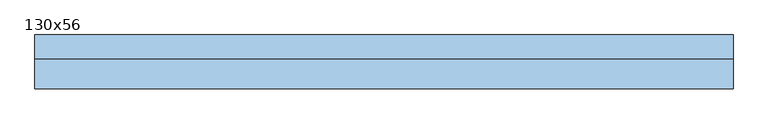
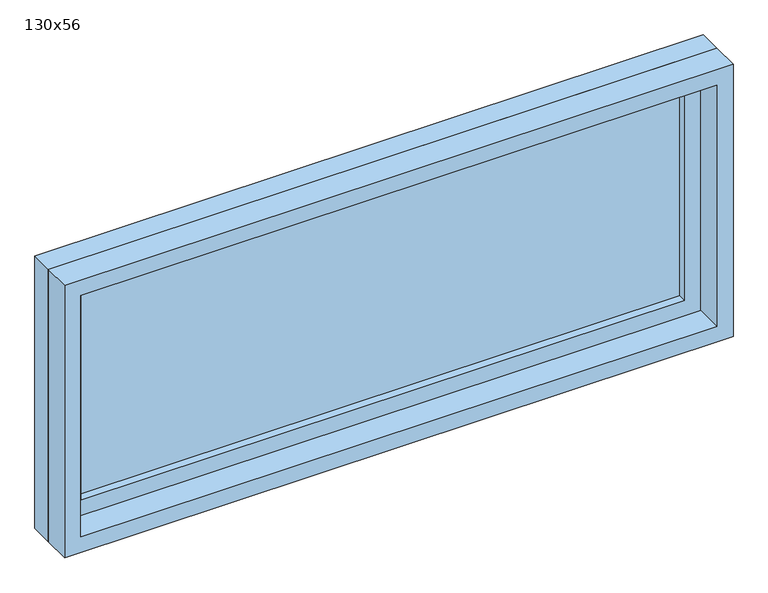
"""IFC4 building model written with IfcOpenShell, lengths in millimetres: window geometry, 130x56."""

import ifcopenshell
import ifcopenshell.guid

model = None  # the IFC model being written
_history = None  # IfcOwnerHistory: only IFC2X3 demands one
_inside = {}  # id of a spatial element -> (the spatial element, [elements in it])
_under = {}  # id of a project, library or spatial element -> (it, [spatial elements below it])
_declared = {}  # id of a project -> (the project, [libraries it declares])
_typed = {}  # id of a type object -> (the type object, [elements of that type])
_made_of = {}  # id of a material, layer set ... -> (it, [elements and type objects made of it])


def new_model(schema):
    """Start an empty IFC model of exactly this schema.

    Asked for "IFC4X3", IfcOpenShell would pick the latest addendum, in which some entities
    have other attributes; the version numbers below select the first issue.
    IFC2X3 requires an IfcOwnerHistory on every rooted entity: one is made here for all.
    """
    global model, _history
    if schema == "IFC4X3":
        model = ifcopenshell.file(schema_version=(4, 3, 0, 0))
    else:
        model = ifcopenshell.file(schema=schema)
    _inside.clear()
    _under.clear()
    _declared.clear()
    _typed.clear()
    _made_of.clear()
    _history = None
    if model.schema == "IFC2X3":
        org = make("IfcOrganization", Name="unknown")
        user = make(
            "IfcPersonAndOrganization",
            ThePerson=make("IfcPerson", FamilyName="unknown"),
            TheOrganization=org,
        )
        app = make(
            "IfcApplication",
            ApplicationDeveloper=org,
            Version="unknown",
            ApplicationFullName="unknown",
            ApplicationIdentifier="unknown",
        )
        _history = make(
            "IfcOwnerHistory",
            OwningUser=user,
            OwningApplication=app,
            ChangeAction="ADDED",
            CreationDate=0,
        )
    return model


def make(cls, **values):
    """One entity of the class cls with the attributes given. An attribute that is None is left unset."""
    return model.create_entity(
        cls, **{name: value for name, value in values.items() if value is not None}
    )


def rooted(cls, **values):
    """An entity with a GlobalId (a new one), such as an element, a storey or a relation."""
    return make(cls, GlobalId=ifcopenshell.guid.new(), OwnerHistory=_history, **values)


def si_unit(unit_type, name, prefix=None):
    """IfcSIUnit, for example si_unit("LENGTHUNIT", "METRE", prefix="MILLI")."""
    return make("IfcSIUnit", UnitType=unit_type, Prefix=prefix, Name=name)


def assignment(units):
    """IfcUnitAssignment: the units of a project."""
    return None if units is None else make("IfcUnitAssignment", Units=units)


def point(xyz):
    """IfcCartesianPoint."""
    return None if xyz is None else make("IfcCartesianPoint", Coordinates=xyz)


def direction(xyz):
    """IfcDirection."""
    return None if xyz is None else make("IfcDirection", DirectionRatios=xyz)


def frame(location, z_axis=None, x_axis=None):
    """IfcAxis2Placement3D, a coordinate frame: its origin and axes. An axis left out is left unset."""
    return make(
        "IfcAxis2Placement3D",
        Location=point(location),
        Axis=direction(z_axis),
        RefDirection=direction(x_axis),
    )


def origin():
    """The frame at (0, 0, 0) with its axes left unset."""
    return frame((0.0, 0.0, 0.0))


def place(relative_to, where):
    """IfcLocalPlacement: puts the frame where relative to a parent placement (None: the world)."""
    return make(
        "IfcLocalPlacement", PlacementRelTo=relative_to, RelativePlacement=where
    )


def context(
    kind, dimensions, precision=None, world=None, true_north=None, identifier=None
):
    """IfcGeometricRepresentationContext, for example the 3D "Model" context."""
    return make(
        "IfcGeometricRepresentationContext",
        ContextIdentifier=identifier,
        ContextType=kind,
        CoordinateSpaceDimension=dimensions,
        Precision=precision,
        WorldCoordinateSystem=world,
        TrueNorth=true_north,
    )


def project(units=None, contexts=None):
    """IfcProject with its units and contexts."""
    return rooted(
        "IfcProject",
        Name="project",
        RepresentationContexts=contexts,
        UnitsInContext=assignment(units),
    )


def spatial(cls, under=None, at=None, **own):
    """A site, building, storey or space (cls), placed at a placement, below another one or the project."""
    s = rooted(cls, ObjectPlacement=at, **own)
    if under is not None:
        _under.setdefault(under.id(), (under, []))[1].append(s)
    return s


def polyline(points):
    """IfcPolyline through the points."""
    return make("IfcPolyline", Points=[point(p) for p in points])


def outline(outer, holes=None, kind="AREA"):
    """IfcArbitraryClosedProfileDef: a profile drawn as a closed curve; with holes, ...WithVoids."""
    if holes is None:
        return make("IfcArbitraryClosedProfileDef", ProfileType=kind, OuterCurve=outer)
    return make(
        "IfcArbitraryProfileDefWithVoids",
        ProfileType=kind,
        OuterCurve=outer,
        InnerCurves=holes,
    )


def extrude(swept, where, along, depth):
    """IfcExtrudedAreaSolid: the profile swept, set in the frame where, extruded along a direction by depth."""
    return make(
        "IfcExtrudedAreaSolid",
        SweptArea=swept,
        Position=where,
        ExtrudedDirection=direction(along),
        Depth=depth,
    )


def shape(context_of_items, identifier, shape_type, items):
    """IfcShapeRepresentation: the items that make up one representation, for example the "Body"."""
    return make(
        "IfcShapeRepresentation",
        ContextOfItems=context_of_items,
        RepresentationIdentifier=identifier,
        RepresentationType=shape_type,
        Items=items,
    )


def source(mapping_origin, context_of_items, identifier, shape_type, items):
    """IfcRepresentationMap: a shape defined once, which mapped items show again and again."""
    return make(
        "IfcRepresentationMap",
        MappingOrigin=mapping_origin,
        MappedRepresentation=shape(context_of_items, identifier, shape_type, items),
    )


def transform(
    local_origin,
    x_axis=None,
    y_axis=None,
    z_axis=None,
    scale=None,
    scale2=None,
    scale3=None,
    uniform=True,
):
    """IfcCartesianTransformationOperator3D, or its non-uniform kind. x_axis, y_axis, z_axis: its Axis1, 2, 3."""
    if uniform:
        return make(
            "IfcCartesianTransformationOperator3D",
            Axis1=direction(x_axis),
            Axis2=direction(y_axis),
            LocalOrigin=point(local_origin),
            Scale=scale,
            Axis3=direction(z_axis),
        )
    return make(
        "IfcCartesianTransformationOperator3DnonUniform",
        Axis1=direction(x_axis),
        Axis2=direction(y_axis),
        LocalOrigin=point(local_origin),
        Scale=scale,
        Axis3=direction(z_axis),
        Scale2=scale2,
        Scale3=scale3,
    )


def mapped(mapping_source, mapping_target):
    """IfcMappedItem: shows the shape of a source again, moved by a transform."""
    return make(
        "IfcMappedItem", MappingSource=mapping_source, MappingTarget=mapping_target
    )


def made_of(thing, what):
    """Note that an element or type object is made of a material, layer set ...; save() writes the relation."""
    if what is not None:
        _made_of.setdefault(what.id(), (what, []))[1].append(thing)
    return thing


def element(
    cls,
    number,
    at=None,
    inside=None,
    cuts=None,
    type_object=None,
    material=None,
    context=None,
    identifier="Body",
    shape_type=None,
    held_by="IfcProductDefinitionShape",
    body=None,
    shapes=None,
    **own,
):
    """One element of the class cls, such as IfcWall. Its Tag is "e" and its number.

    at: its placement. inside: the storey or other place that contains it. cuts: it is an
    opening in that element (IfcRelVoidsElement). A single representation is given by context,
    identifier, shape_type and body (its items); several are given by shapes. held_by: the class
    of the entity that holds the representations. save() writes the other relations.
    """
    e = rooted(cls, Tag="e%d" % number, ObjectPlacement=at, **own)
    if body is not None:
        shapes = [shape(context, identifier, shape_type, body)]
    if shapes is not None:
        e.Representation = make(held_by, Representations=shapes)
    if inside is not None:
        _inside.setdefault(inside.id(), (inside, []))[1].append(e)
    if cuts is not None:
        rooted(
            "IfcRelVoidsElement", RelatingBuildingElement=cuts, RelatedOpeningElement=e
        )
    if type_object is not None:
        _typed.setdefault(type_object.id(), (type_object, []))[1].append(e)
    return made_of(e, material)


def aggregate(whole, parts):
    """IfcRelAggregates: a whole, such as a stair, and the parts it consists of."""
    return rooted("IfcRelAggregates", RelatingObject=whole, RelatedObjects=parts)


def save(model, path):
    """Write the relations noted so far, then the file.

    IfcRelAggregates (storeys below a building ...), IfcRelContainedInSpatialStructure (elements
    in a storey), IfcRelDefinesByType, IfcRelAssociatesMaterial and IfcRelDeclares: one each for
    every whole, place, type object, material and project.
    """
    for whole, parts in _under.values():
        aggregate(whole, parts)
    for where, things in _inside.values():
        rooted(
            "IfcRelContainedInSpatialStructure",
            RelatedElements=things,
            RelatingStructure=where,
        )
    for kind, things in _typed.values():
        rooted("IfcRelDefinesByType", RelatedObjects=things, RelatingType=kind)
    for what, things in _made_of.values():
        rooted("IfcRelAssociatesMaterial", RelatedObjects=things, RelatingMaterial=what)
    for by, libraries in _declared.values():
        rooted("IfcRelDeclares", RelatingContext=by, RelatedDefinitions=libraries)
    model.write(path)


def window_130x56_fa7530c4(model_context):
    return source(origin(), model_context, "Body", "SweptSolid", [
        extrude(outline(polyline([(548.4, 20.425), (-624.6, 20.425), (-624.6, 33.125), (548.4, 33.125), (548.4, 20.425)])), frame((0.0, 0.0, 977.9), z_axis=(0.0, 0.0, 1.0), x_axis=(1.0, 0.0, 0.0)), (0.0, 0.0, 1.0), 433.0),
        extrude(outline(polyline([(1455.35, -669.05), (933.45, -669.05), (933.45, 592.85), (1455.35, 592.85), (1455.35, -669.05)]), holes=[polyline([(1410.9, -624.6), (1410.9, 548.4), (977.9, 548.4), (977.9, -624.6), (1410.9, -624.6)])]), frame((0.0, 4.55, 0.0), z_axis=(0.0, 1.0, 0.0), x_axis=(0.0, 0.0, 1.0)), (0.0, 0.0, 1.0), 44.45),
        extrude(outline(polyline([(1474.4, -688.1), (914.4, -688.1), (914.4, 611.9), (1474.4, 611.9), (1474.4, -688.1)]), holes=[polyline([(1442.65, -656.35), (1442.65, 580.15), (946.15, 580.15), (946.15, -656.35), (1442.65, -656.35)])]), frame((0.0, -50.0, 0.0), z_axis=(0.0, 1.0, 0.0), x_axis=(0.0, 0.0, 1.0)), (0.0, 0.0, 1.0), 54.55),
        extrude(outline(polyline([(1474.4, 611.9), (1474.4, -688.1), (914.4, -688.1), (914.4, 611.9), (1474.4, 611.9)]), holes=[polyline([(1455.35, 592.85), (933.45, 592.85), (933.45, -669.05), (1455.35, -669.05), (1455.35, 592.85)])]), frame((0.0, 4.55, 0.0), z_axis=(0.0, 1.0, 0.0), x_axis=(0.0, 0.0, 1.0)), (0.0, 0.0, 1.0), 45.45),
    ])


if __name__ == "__main__":
    model = new_model("IFC4")
    model_context = context("Model", 3, world=origin())
    ifc_project = project(units=[si_unit("LENGTHUNIT", "METRE", prefix="MILLI")], contexts=[model_context])
    site = spatial("IfcSite", under=ifc_project)
    building = spatial("IfcBuilding", under=site)
    placement = place(None, origin())
    window_130x56_shape = window_130x56_fa7530c4(model_context)
    element("IfcWindow", 1, ObjectType="130x56", at=placement, inside=building, context=model_context, shape_type="MappedRepresentation", body=[
        mapped(window_130x56_shape, transform((0.0, 0.0, 0.0), x_axis=(1.0, 0.0, 0.0), y_axis=(0.0, 1.0, 0.0), z_axis=(0.0, 0.0, 1.0))),
    ])
    save(model, "model.ifc")
